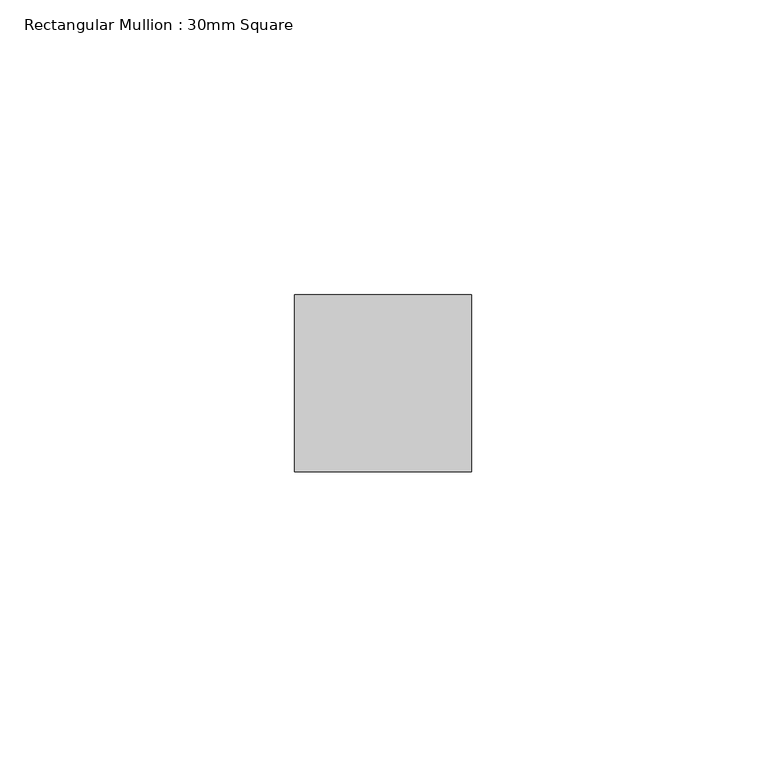
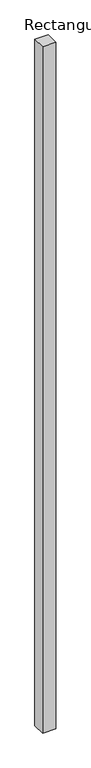
"""IFC4 building model written with IfcOpenShell, lengths in millimetres: member geometry, Rectangular Mullion : 30mm Square."""

from ifc_helpers import new_model, si_unit, frame, origin, place, context, project, spatial, polyline, outline, extrude, source, transform, mapped, element, save


def rectangular_mullion_30mm_square_8d930ae3(model_context):
    return source(origin(), model_context, "Body", "SweptSolid", [
        extrude(outline(polyline([(0.0, 15.0), (0.0, -15.0), (-30.0, -15.0), (-30.0, 15.0), (0.0, 15.0)])), frame((0.0, 0.0, -1650.0), z_axis=(0.0, 0.0, 1.0), x_axis=(1.0, 0.0, 0.0)), (0.0, 0.0, 1.0), 1650.0),
    ])


if __name__ == "__main__":
    model = new_model("IFC4")
    model_context = context("Model", 3, world=origin())
    ifc_project = project(units=[si_unit("LENGTHUNIT", "METRE", prefix="MILLI")], contexts=[model_context])
    site = spatial("IfcSite", under=ifc_project)
    building = spatial("IfcBuilding", under=site)
    placement = place(None, origin())
    rectangular_mullion_30mm_square_shape = rectangular_mullion_30mm_square_8d930ae3(model_context)
    element("IfcMember", 1, ObjectType="Rectangular Mullion : 30mm Square", at=placement, inside=building, context=model_context, shape_type="MappedRepresentation", body=[
        mapped(rectangular_mullion_30mm_square_shape, transform((0.0, 0.0, 0.0), x_axis=(1.0, 0.0, 0.0), y_axis=(0.0, 1.0, 0.0), z_axis=(0.0, 0.0, 1.0))),
    ])
    save(model, "model.ifc")
